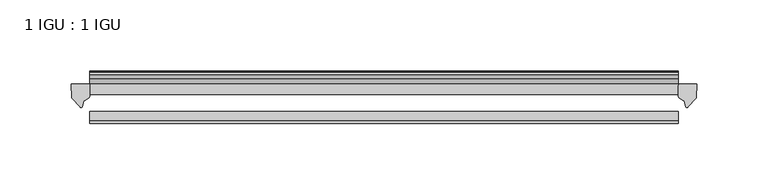
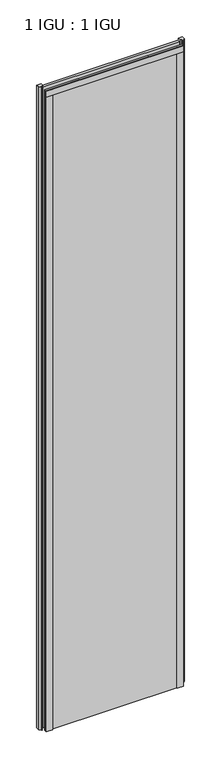
"""IFC4 building model written with IfcOpenShell, lengths in millimetres: plate geometry, 1 IGU : 1 IGU."""

from ifc_helpers import new_model, si_unit, point, frame, frame_2d, origin, place, context, project, spatial, polyline, circle_curve, trimmed, segment, composite_curve, outline, extrude, source, transform, mapped, element, save


def plate_1_igu_1_igu_86a7df21(model_context):
    return source(origin(), model_context, "Body", "SweptSolid", [
        extrude(outline(polyline([(307.975, -11.6085937), (307.975, -18.8576359), (-105.7671875, -18.8576359), (-105.7671875, -11.6085937), (307.975, -11.6085937)])), frame((0.0, 0.0, -19.05), z_axis=(0.0, 0.0, 1.0), x_axis=(1.0, 0.0, 0.0)), (0.0, 0.0, 1.0), 2038.3500001),
        extrude(outline(polyline([(-105.7671875, -30.7093937), (307.975, -30.7093937), (307.975, -37.0085937), (-105.7671875, -37.0085937), (-105.7671875, -30.7093937)])), frame((0.0, 0.0, -19.05), z_axis=(0.0, 0.0, 1.0), x_axis=(1.0, 0.0, 0.0)), (0.0, 0.0, 1.0), 2038.3500001),
        extrude(outline(composite_curve([segment(polyline([(321.0529091, -11.6101465), (320.675, -21.3502133), (314.7369467, -27.6095865)]), True, "CONTINUOUS"), segment(trimmed(circle_curve(frame_2d((314.0641407, -27.2518492)), 0.762), [point((314.7369467, -27.6095865))], [point((313.3354364, -27.4746364))], False, "CARTESIAN"), True, "CONTINUOUS"), segment(polyline([(313.3354364, -27.4746364), (312.0736019, -23.3488397)]), True, "CONTINUOUS"), segment(trimmed(circle_curve(frame_2d((314.255559, -16.3834724)), 7.2991286), [point((312.0736019, -23.3488397))], [point((307.9751786, -20.1028944))], False, "CARTESIAN"), True, "CONTINUOUS"), segment(polyline([(307.9751786, -20.1028944), (307.9751786, -12.664425)]), True, "CONTINUOUS"), segment(trimmed(circle_curve(frame_2d((314.2564331, -16.3827796)), 7.2993369), [point((307.9751786, -12.664425))], [point((308.733545, -11.6101465))], False, "CARTESIAN"), True, "CONTINUOUS"), segment(polyline([(308.733545, -11.6101465), (321.0529091, -11.6101465)]), True, "CONTINUOUS")], self_intersect=False)), frame((0.0, 0.0, -19.05), z_axis=(0.0, 0.0, 1.0), x_axis=(1.0, 0.0, 0.0)), (0.0, 0.0, 1.0), 2045.4874001),
        extrude(outline(composite_curve([segment(polyline([(-105.7671875, -11.610702), (-105.7671875, -20.1014769)]), True, "CONTINUOUS"), segment(trimmed(circle_curve(frame_2d((-112.0483818, -16.3829847)), 7.2993552), [point((-105.7671875, -20.1014769))], [point((-109.8661373, -23.3484994))], False, "CARTESIAN"), True, "CONTINUOUS"), segment(polyline([(-109.8661373, -23.3484994), (-111.1276239, -27.4746364)]), True, "CONTINUOUS"), segment(trimmed(circle_curve(frame_2d((-111.8563282, -27.2518492)), 0.762), [point((-111.1276239, -27.4746364))], [point((-112.5291342, -27.6095865))], False, "CARTESIAN"), True, "CONTINUOUS"), segment(polyline([(-112.5291342, -27.6095865), (-118.4671875, -21.3502133), (-118.8450966, -11.610702), (-105.7671875, -11.610702)]), True, "CONTINUOUS")], self_intersect=False)), frame((0.0, 0.0, -19.05), z_axis=(0.0, 0.0, 1.0), x_axis=(1.0, 0.0, 0.0)), (0.0, 0.0, 1.0), 2045.4874001),
        extrude(outline(composite_curve([segment(trimmed(circle_curve(frame_2d((-6.5285937, 2011.721876)), 1.27), [point((-7.4547667, 2012.590843))], [point((-5.2585937, 2011.721876))], False, "CARTESIAN"), True, "CONTINUOUS"), segment(polyline([(-5.2585937, 2011.721876), (-5.2585937, 2008.5050001), (-3.3544944, 2005.8297863), (-5.2585937, 2005.484551), (-5.2585937, 2000.2500001), (-2.385052, 2000.2500001)]), True, "CONTINUOUS"), segment(trimmed(circle_curve(frame_2d((-3.2589487, 1999.7317718)), 1.016), [point((-2.385052, 2000.2500001))], [point((-3.236916, 1998.7160107))], False, "CARTESIAN"), True, "CONTINUOUS"), segment(trimmed(circle_curve(frame_2d((-2.5575611, 1967.3961025)), 31.3272753), [point((-3.236916, 1998.7160107))], [point((-11.6085937, 1997.3873843))], True, "CARTESIAN"), True, "CONTINUOUS"), segment(polyline([(-11.6085937, 1997.3873843), (-11.6085937, 2008.1635609), (-7.4547667, 2012.590843)]), True, "CONTINUOUS")], self_intersect=False)), frame((-105.7671875, 0.0, 0.0), z_axis=(1.0, 0.0, 0.0), x_axis=(0.0, 1.0, 0.0)), (0.0, 0.0, 1.0), 413.7421875),
        extrude(outline(polyline([(-105.7671875, -39.2945937), (-105.7671875, -37.0085937), (307.975, -37.0085937), (307.975, -39.2945937), (-105.7671875, -39.2945937)])), frame((0.0, 0.0, 2000.2500001), z_axis=(0.0, 0.0, 1.0), x_axis=(1.0, 0.0, 0.0)), (0.0, 0.0, 1.0), 19.05),
        extrude(outline(polyline([(288.925, -37.0085937), (307.975, -37.0085937), (307.975, -39.2945938), (288.925, -39.2945938), (288.925, -37.0085937)])), frame((0.0, 0.0, -19.05), z_axis=(0.0, 0.0, 1.0), x_axis=(1.0, 0.0, 0.0)), (0.0, 0.0, 1.0), 2038.3500001),
        extrude(outline(polyline([(-105.7671875, -39.2945937), (-105.7671875, -37.0085938), (-86.7171875, -37.0085938), (-86.7171875, -39.2945937), (-105.7671875, -39.2945937)])), frame((0.0, 0.0, -19.05), z_axis=(0.0, 0.0, 1.0), x_axis=(1.0, 0.0, 0.0)), (0.0, 0.0, 1.0), 2038.3500001),
    ])


if __name__ == "__main__":
    model = new_model("IFC4")
    model_context = context("Model", 3, world=origin())
    ifc_project = project(units=[si_unit("LENGTHUNIT", "METRE", prefix="MILLI")], contexts=[model_context])
    site = spatial("IfcSite", under=ifc_project)
    building = spatial("IfcBuilding", under=site)
    placement = place(None, origin())
    plate_1_igu_1_igu_shape = plate_1_igu_1_igu_86a7df21(model_context)
    element("IfcPlate", 1, ObjectType="1 IGU : 1 IGU", at=placement, inside=building, context=model_context, shape_type="MappedRepresentation", body=[
        mapped(plate_1_igu_1_igu_shape, transform((0.0, 0.0, 0.0), x_axis=(1.0, 0.0, 0.0), y_axis=(0.0, 1.0, 0.0), z_axis=(0.0, 0.0, 1.0))),
    ])
    save(model, "model.ifc")
